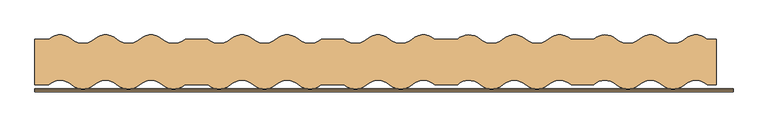
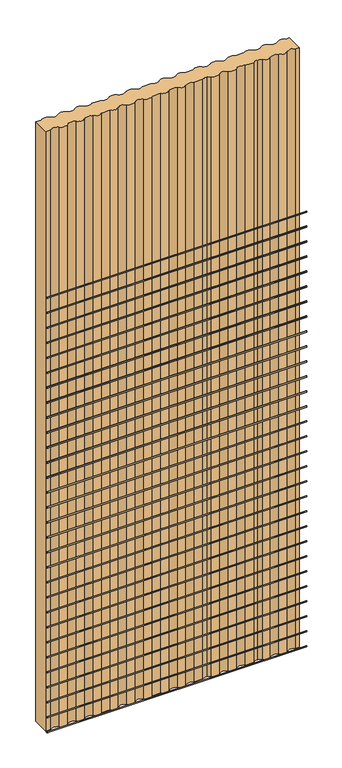
"""IFC4 building model written with IfcOpenShell, lengths in millimetres: door geometry."""

from ifc_helpers import new_model, si_unit, point, frame, frame_2d, origin, origin_with_axes, place, context, project, spatial, polyline, circle_curve, trimmed, segment, composite_curve, outline, extrude, source, transform, mapped, element, save


def door_5e5c42e4(model_context):
    return source(origin(), model_context, "Body", "SweptSolid", [
        extrude(outline(composite_curve([segment(trimmed(circle_curve(frame_2d((-49.9536574, 2175.0)), 2.4876096), [point((-49.9536574, 2172.5123904))], [point((-49.9536574, 2177.4876096))], False, "CARTESIAN"), True, "CONTINUOUS"), segment(trimmed(circle_curve(frame_2d((-49.9536574, 2175.0)), 2.4876096), [point((-49.9536574, 2177.4876096))], [point((-49.9536574, 2172.5123904))], False, "CARTESIAN"), True, "CONTINUOUS")], self_intersect=False)), frame((-600.0, 0.0, 0.0), z_axis=(1.0, 0.0, 0.0), x_axis=(0.0, 1.0, 0.0)), (0.0, 0.0, 1.0), 1230.0),
        extrude(outline(composite_curve([segment(trimmed(circle_curve(frame_2d((-49.9536574, 2100.0)), 2.4876096), [point((-49.9536574, 2097.5123904))], [point((-49.9536574, 2102.4876096))], False, "CARTESIAN"), True, "CONTINUOUS"), segment(trimmed(circle_curve(frame_2d((-49.9536574, 2100.0)), 2.4876096), [point((-49.9536574, 2102.4876096))], [point((-49.9536574, 2097.5123904))], False, "CARTESIAN"), True, "CONTINUOUS")], self_intersect=False)), frame((-600.0, 0.0, 0.0), z_axis=(1.0, 0.0, 0.0), x_axis=(0.0, 1.0, 0.0)), (0.0, 0.0, 1.0), 1230.0),
        extrude(outline(composite_curve([segment(trimmed(circle_curve(frame_2d((-49.9536574, 2025.0)), 2.4876096), [point((-49.9536574, 2022.5123904))], [point((-49.9536574, 2027.4876096))], False, "CARTESIAN"), True, "CONTINUOUS"), segment(trimmed(circle_curve(frame_2d((-49.9536574, 2025.0)), 2.4876096), [point((-49.9536574, 2027.4876096))], [point((-49.9536574, 2022.5123904))], False, "CARTESIAN"), True, "CONTINUOUS")], self_intersect=False)), frame((-600.0, 0.0, 0.0), z_axis=(1.0, 0.0, 0.0), x_axis=(0.0, 1.0, 0.0)), (0.0, 0.0, 1.0), 1230.0),
        extrude(outline(composite_curve([segment(trimmed(circle_curve(frame_2d((-49.9536574, 1950.0)), 2.4876096), [point((-49.9536574, 1947.5123904))], [point((-49.9536574, 1952.4876096))], False, "CARTESIAN"), True, "CONTINUOUS"), segment(trimmed(circle_curve(frame_2d((-49.9536574, 1950.0)), 2.4876096), [point((-49.9536574, 1952.4876096))], [point((-49.9536574, 1947.5123904))], False, "CARTESIAN"), True, "CONTINUOUS")], self_intersect=False)), frame((-600.0, 0.0, 0.0), z_axis=(1.0, 0.0, 0.0), x_axis=(0.0, 1.0, 0.0)), (0.0, 0.0, 1.0), 1230.0),
        extrude(outline(composite_curve([segment(trimmed(circle_curve(frame_2d((-49.9536574, 1875.0)), 2.4876096), [point((-49.9536574, 1872.5123904))], [point((-49.9536574, 1877.4876096))], False, "CARTESIAN"), True, "CONTINUOUS"), segment(trimmed(circle_curve(frame_2d((-49.9536574, 1875.0)), 2.4876096), [point((-49.9536574, 1877.4876096))], [point((-49.9536574, 1872.5123904))], False, "CARTESIAN"), True, "CONTINUOUS")], self_intersect=False)), frame((-600.0, 0.0, 0.0), z_axis=(1.0, 0.0, 0.0), x_axis=(0.0, 1.0, 0.0)), (0.0, 0.0, 1.0), 1230.0),
        extrude(outline(composite_curve([segment(trimmed(circle_curve(frame_2d((-49.9536574, 1800.0)), 2.4876096), [point((-49.9536574, 1797.5123904))], [point((-49.9536574, 1802.4876096))], False, "CARTESIAN"), True, "CONTINUOUS"), segment(trimmed(circle_curve(frame_2d((-49.9536574, 1800.0)), 2.4876096), [point((-49.9536574, 1802.4876096))], [point((-49.9536574, 1797.5123904))], False, "CARTESIAN"), True, "CONTINUOUS")], self_intersect=False)), frame((-600.0, 0.0, 0.0), z_axis=(1.0, 0.0, 0.0), x_axis=(0.0, 1.0, 0.0)), (0.0, 0.0, 1.0), 1230.0),
        extrude(outline(composite_curve([segment(trimmed(circle_curve(frame_2d((-49.9536574, 1725.0)), 2.4876096), [point((-49.9536574, 1722.5123904))], [point((-49.9536574, 1727.4876096))], False, "CARTESIAN"), True, "CONTINUOUS"), segment(trimmed(circle_curve(frame_2d((-49.9536574, 1725.0)), 2.4876096), [point((-49.9536574, 1727.4876096))], [point((-49.9536574, 1722.5123904))], False, "CARTESIAN"), True, "CONTINUOUS")], self_intersect=False)), frame((-600.0, 0.0, 0.0), z_axis=(1.0, 0.0, 0.0), x_axis=(0.0, 1.0, 0.0)), (0.0, 0.0, 1.0), 1230.0),
        extrude(outline(composite_curve([segment(trimmed(circle_curve(frame_2d((-49.9536574, 1650.0)), 2.4876096), [point((-49.9536574, 1647.5123904))], [point((-49.9536574, 1652.4876096))], False, "CARTESIAN"), True, "CONTINUOUS"), segment(trimmed(circle_curve(frame_2d((-49.9536574, 1650.0)), 2.4876096), [point((-49.9536574, 1652.4876096))], [point((-49.9536574, 1647.5123904))], False, "CARTESIAN"), True, "CONTINUOUS")], self_intersect=False)), frame((-600.0, 0.0, 0.0), z_axis=(1.0, 0.0, 0.0), x_axis=(0.0, 1.0, 0.0)), (0.0, 0.0, 1.0), 1230.0),
        extrude(outline(composite_curve([segment(trimmed(circle_curve(frame_2d((-49.9536574, 1575.0)), 2.4876096), [point((-49.9536574, 1572.5123904))], [point((-49.9536574, 1577.4876096))], False, "CARTESIAN"), True, "CONTINUOUS"), segment(trimmed(circle_curve(frame_2d((-49.9536574, 1575.0)), 2.4876096), [point((-49.9536574, 1577.4876096))], [point((-49.9536574, 1572.5123904))], False, "CARTESIAN"), True, "CONTINUOUS")], self_intersect=False)), frame((-600.0, 0.0, 0.0), z_axis=(1.0, 0.0, 0.0), x_axis=(0.0, 1.0, 0.0)), (0.0, 0.0, 1.0), 1230.0),
        extrude(outline(composite_curve([segment(trimmed(circle_curve(frame_2d((-49.9536574, 1500.0)), 2.4876096), [point((-49.9536574, 1497.5123904))], [point((-49.9536574, 1502.4876096))], False, "CARTESIAN"), True, "CONTINUOUS"), segment(trimmed(circle_curve(frame_2d((-49.9536574, 1500.0)), 2.4876096), [point((-49.9536574, 1502.4876096))], [point((-49.9536574, 1497.5123904))], False, "CARTESIAN"), True, "CONTINUOUS")], self_intersect=False)), frame((-600.0, 0.0, 0.0), z_axis=(1.0, 0.0, 0.0), x_axis=(0.0, 1.0, 0.0)), (0.0, 0.0, 1.0), 1230.0),
        extrude(outline(composite_curve([segment(trimmed(circle_curve(frame_2d((-49.9536574, 1425.0)), 2.4876096), [point((-49.9536574, 1422.5123904))], [point((-49.9536574, 1427.4876096))], False, "CARTESIAN"), True, "CONTINUOUS"), segment(trimmed(circle_curve(frame_2d((-49.9536574, 1425.0)), 2.4876096), [point((-49.9536574, 1427.4876096))], [point((-49.9536574, 1422.5123904))], False, "CARTESIAN"), True, "CONTINUOUS")], self_intersect=False)), frame((-600.0, 0.0, 0.0), z_axis=(1.0, 0.0, 0.0), x_axis=(0.0, 1.0, 0.0)), (0.0, 0.0, 1.0), 1230.0),
        extrude(outline(composite_curve([segment(trimmed(circle_curve(frame_2d((-49.9536574, 1350.0)), 2.4876096), [point((-49.9536574, 1347.5123904))], [point((-49.9536574, 1352.4876096))], False, "CARTESIAN"), True, "CONTINUOUS"), segment(trimmed(circle_curve(frame_2d((-49.9536574, 1350.0)), 2.4876096), [point((-49.9536574, 1352.4876096))], [point((-49.9536574, 1347.5123904))], False, "CARTESIAN"), True, "CONTINUOUS")], self_intersect=False)), frame((-600.0, 0.0, 0.0), z_axis=(1.0, 0.0, 0.0), x_axis=(0.0, 1.0, 0.0)), (0.0, 0.0, 1.0), 1230.0),
        extrude(outline(composite_curve([segment(trimmed(circle_curve(frame_2d((-49.9536574, 1275.0)), 2.4876096), [point((-49.9536574, 1272.5123904))], [point((-49.9536574, 1277.4876096))], False, "CARTESIAN"), True, "CONTINUOUS"), segment(trimmed(circle_curve(frame_2d((-49.9536574, 1275.0)), 2.4876096), [point((-49.9536574, 1277.4876096))], [point((-49.9536574, 1272.5123904))], False, "CARTESIAN"), True, "CONTINUOUS")], self_intersect=False)), frame((-600.0, 0.0, 0.0), z_axis=(1.0, 0.0, 0.0), x_axis=(0.0, 1.0, 0.0)), (0.0, 0.0, 1.0), 1230.0),
        extrude(outline(composite_curve([segment(trimmed(circle_curve(frame_2d((-49.9536574, 1200.0)), 2.4876096), [point((-49.9536574, 1197.5123904))], [point((-49.9536574, 1202.4876096))], False, "CARTESIAN"), True, "CONTINUOUS"), segment(trimmed(circle_curve(frame_2d((-49.9536574, 1200.0)), 2.4876096), [point((-49.9536574, 1202.4876096))], [point((-49.9536574, 1197.5123904))], False, "CARTESIAN"), True, "CONTINUOUS")], self_intersect=False)), frame((-600.0, 0.0, 0.0), z_axis=(1.0, 0.0, 0.0), x_axis=(0.0, 1.0, 0.0)), (0.0, 0.0, 1.0), 1230.0),
        extrude(outline(composite_curve([segment(trimmed(circle_curve(frame_2d((-49.9536574, 1125.0)), 2.4876096), [point((-49.9536574, 1122.5123904))], [point((-49.9536574, 1127.4876096))], False, "CARTESIAN"), True, "CONTINUOUS"), segment(trimmed(circle_curve(frame_2d((-49.9536574, 1125.0)), 2.4876096), [point((-49.9536574, 1127.4876096))], [point((-49.9536574, 1122.5123904))], False, "CARTESIAN"), True, "CONTINUOUS")], self_intersect=False)), frame((-600.0, 0.0, 0.0), z_axis=(1.0, 0.0, 0.0), x_axis=(0.0, 1.0, 0.0)), (0.0, 0.0, 1.0), 1230.0),
        extrude(outline(composite_curve([segment(trimmed(circle_curve(frame_2d((-49.9536574, 1050.0)), 2.4876096), [point((-49.9536574, 1047.5123904))], [point((-49.9536574, 1052.4876096))], False, "CARTESIAN"), True, "CONTINUOUS"), segment(trimmed(circle_curve(frame_2d((-49.9536574, 1050.0)), 2.4876096), [point((-49.9536574, 1052.4876096))], [point((-49.9536574, 1047.5123904))], False, "CARTESIAN"), True, "CONTINUOUS")], self_intersect=False)), frame((-600.0, 0.0, 0.0), z_axis=(1.0, 0.0, 0.0), x_axis=(0.0, 1.0, 0.0)), (0.0, 0.0, 1.0), 1230.0),
        extrude(outline(composite_curve([segment(trimmed(circle_curve(frame_2d((-49.9536574, 975.0)), 2.4876096), [point((-49.9536574, 972.5123904))], [point((-49.9536574, 977.4876096))], False, "CARTESIAN"), True, "CONTINUOUS"), segment(trimmed(circle_curve(frame_2d((-49.9536574, 975.0)), 2.4876096), [point((-49.9536574, 977.4876096))], [point((-49.9536574, 972.5123904))], False, "CARTESIAN"), True, "CONTINUOUS")], self_intersect=False)), frame((-600.0, 0.0, 0.0), z_axis=(1.0, 0.0, 0.0), x_axis=(0.0, 1.0, 0.0)), (0.0, 0.0, 1.0), 1230.0),
        extrude(outline(composite_curve([segment(trimmed(circle_curve(frame_2d((-49.9536574, 900.0)), 2.4876096), [point((-49.9536574, 897.5123904))], [point((-49.9536574, 902.4876096))], False, "CARTESIAN"), True, "CONTINUOUS"), segment(trimmed(circle_curve(frame_2d((-49.9536574, 900.0)), 2.4876096), [point((-49.9536574, 902.4876096))], [point((-49.9536574, 897.5123904))], False, "CARTESIAN"), True, "CONTINUOUS")], self_intersect=False)), frame((-600.0, 0.0, 0.0), z_axis=(1.0, 0.0, 0.0), x_axis=(0.0, 1.0, 0.0)), (0.0, 0.0, 1.0), 1230.0),
        extrude(outline(composite_curve([segment(trimmed(circle_curve(frame_2d((-49.9536574, 825.0)), 2.4876096), [point((-49.9536574, 822.5123904))], [point((-49.9536574, 827.4876096))], False, "CARTESIAN"), True, "CONTINUOUS"), segment(trimmed(circle_curve(frame_2d((-49.9536574, 825.0)), 2.4876096), [point((-49.9536574, 827.4876096))], [point((-49.9536574, 822.5123904))], False, "CARTESIAN"), True, "CONTINUOUS")], self_intersect=False)), frame((-600.0, 0.0, 0.0), z_axis=(1.0, 0.0, 0.0), x_axis=(0.0, 1.0, 0.0)), (0.0, 0.0, 1.0), 1230.0),
        extrude(outline(composite_curve([segment(trimmed(circle_curve(frame_2d((-49.9536574, 750.0)), 2.4876096), [point((-49.9536574, 747.5123904))], [point((-49.9536574, 752.4876096))], False, "CARTESIAN"), True, "CONTINUOUS"), segment(trimmed(circle_curve(frame_2d((-49.9536574, 750.0)), 2.4876096), [point((-49.9536574, 752.4876096))], [point((-49.9536574, 747.5123904))], False, "CARTESIAN"), True, "CONTINUOUS")], self_intersect=False)), frame((-600.0, 0.0, 0.0), z_axis=(1.0, 0.0, 0.0), x_axis=(0.0, 1.0, 0.0)), (0.0, 0.0, 1.0), 1230.0),
        extrude(outline(composite_curve([segment(trimmed(circle_curve(frame_2d((-49.9536574, 675.0)), 2.4876096), [point((-49.9536574, 672.5123904))], [point((-49.9536574, 677.4876096))], False, "CARTESIAN"), True, "CONTINUOUS"), segment(trimmed(circle_curve(frame_2d((-49.9536574, 675.0)), 2.4876096), [point((-49.9536574, 677.4876096))], [point((-49.9536574, 672.5123904))], False, "CARTESIAN"), True, "CONTINUOUS")], self_intersect=False)), frame((-600.0, 0.0, 0.0), z_axis=(1.0, 0.0, 0.0), x_axis=(0.0, 1.0, 0.0)), (0.0, 0.0, 1.0), 1230.0),
        extrude(outline(composite_curve([segment(trimmed(circle_curve(frame_2d((-49.9536574, 600.0)), 2.4876096), [point((-49.9536574, 597.5123904))], [point((-49.9536574, 602.4876096))], False, "CARTESIAN"), True, "CONTINUOUS"), segment(trimmed(circle_curve(frame_2d((-49.9536574, 600.0)), 2.4876096), [point((-49.9536574, 602.4876096))], [point((-49.9536574, 597.5123904))], False, "CARTESIAN"), True, "CONTINUOUS")], self_intersect=False)), frame((-600.0, 0.0, 0.0), z_axis=(1.0, 0.0, 0.0), x_axis=(0.0, 1.0, 0.0)), (0.0, 0.0, 1.0), 1230.0),
        extrude(outline(composite_curve([segment(trimmed(circle_curve(frame_2d((-49.9536574, 525.0)), 2.4876096), [point((-49.9536574, 522.5123904))], [point((-49.9536574, 527.4876096))], False, "CARTESIAN"), True, "CONTINUOUS"), segment(trimmed(circle_curve(frame_2d((-49.9536574, 525.0)), 2.4876096), [point((-49.9536574, 527.4876096))], [point((-49.9536574, 522.5123904))], False, "CARTESIAN"), True, "CONTINUOUS")], self_intersect=False)), frame((-600.0, 0.0, 0.0), z_axis=(1.0, 0.0, 0.0), x_axis=(0.0, 1.0, 0.0)), (0.0, 0.0, 1.0), 1230.0),
        extrude(outline(composite_curve([segment(trimmed(circle_curve(frame_2d((-49.9536574, 450.0)), 2.4876096), [point((-49.9536574, 447.5123904))], [point((-49.9536574, 452.4876096))], False, "CARTESIAN"), True, "CONTINUOUS"), segment(trimmed(circle_curve(frame_2d((-49.9536574, 450.0)), 2.4876096), [point((-49.9536574, 452.4876096))], [point((-49.9536574, 447.5123904))], False, "CARTESIAN"), True, "CONTINUOUS")], self_intersect=False)), frame((-600.0, 0.0, 0.0), z_axis=(1.0, 0.0, 0.0), x_axis=(0.0, 1.0, 0.0)), (0.0, 0.0, 1.0), 1230.0),
        extrude(outline(composite_curve([segment(trimmed(circle_curve(frame_2d((-49.9536574, 375.0)), 2.4876096), [point((-49.9536574, 372.5123904))], [point((-49.9536574, 377.4876096))], False, "CARTESIAN"), True, "CONTINUOUS"), segment(trimmed(circle_curve(frame_2d((-49.9536574, 375.0)), 2.4876096), [point((-49.9536574, 377.4876096))], [point((-49.9536574, 372.5123904))], False, "CARTESIAN"), True, "CONTINUOUS")], self_intersect=False)), frame((-600.0, 0.0, 0.0), z_axis=(1.0, 0.0, 0.0), x_axis=(0.0, 1.0, 0.0)), (0.0, 0.0, 1.0), 1230.0),
        extrude(outline(composite_curve([segment(trimmed(circle_curve(frame_2d((-49.9536574, 300.0)), 2.4876096), [point((-49.9536574, 297.5123904))], [point((-49.9536574, 302.4876096))], False, "CARTESIAN"), True, "CONTINUOUS"), segment(trimmed(circle_curve(frame_2d((-49.9536574, 300.0)), 2.4876096), [point((-49.9536574, 302.4876096))], [point((-49.9536574, 297.5123904))], False, "CARTESIAN"), True, "CONTINUOUS")], self_intersect=False)), frame((-600.0, 0.0, 0.0), z_axis=(1.0, 0.0, 0.0), x_axis=(0.0, 1.0, 0.0)), (0.0, 0.0, 1.0), 1230.0),
        extrude(outline(composite_curve([segment(trimmed(circle_curve(frame_2d((-49.9536574, 225.0)), 2.4876096), [point((-49.9536574, 222.5123904))], [point((-49.9536574, 227.4876096))], False, "CARTESIAN"), True, "CONTINUOUS"), segment(trimmed(circle_curve(frame_2d((-49.9536574, 225.0)), 2.4876096), [point((-49.9536574, 227.4876096))], [point((-49.9536574, 222.5123904))], False, "CARTESIAN"), True, "CONTINUOUS")], self_intersect=False)), frame((-600.0, 0.0, 0.0), z_axis=(1.0, 0.0, 0.0), x_axis=(0.0, 1.0, 0.0)), (0.0, 0.0, 1.0), 1230.0),
        extrude(outline(composite_curve([segment(trimmed(circle_curve(frame_2d((-49.9536574, 150.0)), 2.4876096), [point((-49.9536574, 147.5123904))], [point((-49.9536574, 152.4876096))], False, "CARTESIAN"), True, "CONTINUOUS"), segment(trimmed(circle_curve(frame_2d((-49.9536574, 150.0)), 2.4876096), [point((-49.9536574, 152.4876096))], [point((-49.9536574, 147.5123904))], False, "CARTESIAN"), True, "CONTINUOUS")], self_intersect=False)), frame((-600.0, 0.0, 0.0), z_axis=(1.0, 0.0, 0.0), x_axis=(0.0, 1.0, 0.0)), (0.0, 0.0, 1.0), 1230.0),
        extrude(outline(composite_curve([segment(trimmed(circle_curve(frame_2d((-49.9536574, 75.0)), 2.4876096), [point((-49.9536574, 72.5123904))], [point((-49.9536574, 77.4876096))], False, "CARTESIAN"), True, "CONTINUOUS"), segment(trimmed(circle_curve(frame_2d((-49.9536574, 75.0)), 2.4876096), [point((-49.9536574, 77.4876096))], [point((-49.9536574, 72.5123904))], False, "CARTESIAN"), True, "CONTINUOUS")], self_intersect=False)), frame((-600.0, 0.0, 0.0), z_axis=(1.0, 0.0, 0.0), x_axis=(0.0, 1.0, 0.0)), (0.0, 0.0, 1.0), 1230.0),
        extrude(outline(composite_curve([segment(trimmed(circle_curve(frame_2d((-49.9536574, 0.0)), 2.4876096), [point((-49.9536574, -2.4876096))], [point((-49.9536574, 2.4876096))], False, "CARTESIAN"), True, "CONTINUOUS"), segment(trimmed(circle_curve(frame_2d((-49.9536574, 0.0)), 2.4876096), [point((-49.9536574, 2.4876096))], [point((-49.9536574, -2.4876096))], False, "CARTESIAN"), True, "CONTINUOUS")], self_intersect=False)), frame((-600.0, 0.0, 0.0), z_axis=(1.0, 0.0, 0.0), x_axis=(0.0, 1.0, 0.0)), (0.0, 0.0, 1.0), 1230.0),
        extrude(outline(composite_curve([segment(trimmed(circle_curve(frame_2d((404.4999908, -62.8711063)), 30.3884562), [point((424.4907145, -39.9837903))], [point((409.0000004, -32.8176841))], True, "CARTESIAN"), True, "CONTINUOUS"), segment(trimmed(circle_curve(frame_2d((404.5, -62.8711077)), 30.3884562), [point((409.0000004, -32.8176841))], [point((384.5, -39.9918972))], True, "CARTESIAN"), True, "CONTINUOUS"), segment(polyline([(384.5, -39.9918972), (344.5, -39.9918972)]), True, "CONTINUOUS"), segment(trimmed(circle_curve(frame_2d((324.5, -62.8711077)), 30.3884562), [point((344.5, -39.9918972))], [point((304.5092771, -39.9837909))], True, "CARTESIAN"), True, "CONTINUOUS"), segment(trimmed(circle_curve(frame_2d((284.4999962, -17.0752273)), 30.4166667), [point((304.5092771, -39.9837909))], [point((264.4907172, -39.9837926))], False, "CARTESIAN"), True, "CONTINUOUS"), segment(trimmed(circle_curve(frame_2d((244.4999962, -62.871111)), 30.3884562), [point((264.4907172, -39.9837926))], [point((224.5092752, -39.9837926))], True, "CARTESIAN"), True, "CONTINUOUS"), segment(trimmed(circle_curve(frame_2d((204.4999962, -17.0752273)), 30.4166667), [point((224.5092752, -39.9837926))], [point((184.4907145, -39.9837903))], False, "CARTESIAN"), True, "CONTINUOUS"), segment(trimmed(circle_curve(frame_2d((164.4999908, -62.8711063)), 30.3884562), [point((184.4907145, -39.9837903))], [point((168.9999997, -32.817684))], True, "CARTESIAN"), True, "CONTINUOUS"), segment(trimmed(circle_curve(frame_2d((164.5, -62.8711077)), 30.3884562), [point((168.9999997, -32.817684))], [point((144.5, -39.9918972))], True, "CARTESIAN"), True, "CONTINUOUS"), segment(polyline([(144.5, -39.9918972), (104.5, -39.9918972)]), True, "CONTINUOUS"), segment(trimmed(circle_curve(frame_2d((84.5, -62.8711077)), 30.3884562), [point((104.5, -39.9918972))], [point((64.5092771, -39.9837909))], True, "CARTESIAN"), True, "CONTINUOUS"), segment(trimmed(circle_curve(frame_2d((44.4999962, -17.0752273)), 30.4166667), [point((64.5092771, -39.9837909))], [point((24.4907172, -39.9837926))], False, "CARTESIAN"), True, "CONTINUOUS"), segment(trimmed(circle_curve(frame_2d((4.4999962, -62.871111)), 30.3884562), [point((24.4907172, -39.9837926))], [point((-15.4907248, -39.9837926))], True, "CARTESIAN"), True, "CONTINUOUS"), segment(trimmed(circle_curve(frame_2d((-35.5000038, -17.0752273)), 30.4166667), [point((-15.4907248, -39.9837926))], [point((-55.5, -39.9918972))], False, "CARTESIAN"), True, "CONTINUOUS"), segment(polyline([(-55.5, -39.9918972), (-95.5, -39.9918972)]), True, "CONTINUOUS"), segment(trimmed(circle_curve(frame_2d((-115.5, -17.0752306)), 30.4166667), [point((-95.5, -39.9918972))], [point((-135.5092809, -39.9837943))], False, "CARTESIAN"), True, "CONTINUOUS"), segment(trimmed(circle_curve(frame_2d((-155.5000038, -62.871111)), 30.3884562), [point((-135.5092809, -39.9837943))], [point((-175.4907248, -39.9837926))], True, "CARTESIAN"), True, "CONTINUOUS"), segment(trimmed(circle_curve(frame_2d((-195.5000038, -17.0752273)), 30.4166667), [point((-175.4907248, -39.9837926))], [point((-215.5092828, -39.9837926))], False, "CARTESIAN"), True, "CONTINUOUS"), segment(trimmed(circle_curve(frame_2d((-235.5000038, -62.871111)), 30.3884562), [point((-215.5092828, -39.9837926))], [point((-255.4907248, -39.9837926))], True, "CARTESIAN"), True, "CONTINUOUS"), segment(trimmed(circle_curve(frame_2d((-275.5000038, -17.0752273)), 30.4166667), [point((-255.4907248, -39.9837926))], [point((-295.5, -39.9918972))], False, "CARTESIAN"), True, "CONTINUOUS"), segment(polyline([(-295.5, -39.9918972), (-335.5, -39.9918972)]), True, "CONTINUOUS"), segment(trimmed(circle_curve(frame_2d((-355.5, -17.0752306)), 30.4166667), [point((-335.5, -39.9918972))], [point((-375.5092809, -39.9837943))], False, "CARTESIAN"), True, "CONTINUOUS"), segment(trimmed(circle_curve(frame_2d((-395.5000038, -62.871111)), 30.3884562), [point((-375.5092809, -39.9837943))], [point((-415.4907248, -39.9837926))], True, "CARTESIAN"), True, "CONTINUOUS"), segment(trimmed(circle_curve(frame_2d((-435.5000038, -17.0752273)), 30.4166667), [point((-415.4907248, -39.9837926))], [point((-455.5092828, -39.9837926))], False, "CARTESIAN"), True, "CONTINUOUS"), segment(trimmed(circle_curve(frame_2d((-475.5000038, -62.871111)), 30.3884562), [point((-455.5092828, -39.9837926))], [point((-495.4907261, -39.9837937))], True, "CARTESIAN"), True, "CONTINUOUS"), segment(trimmed(circle_curve(frame_2d((-515.5, -17.0752368)), 30.416657), [point((-495.4907261, -39.9837937))], [point((-535.4999967, -39.9918935))], False, "CARTESIAN"), True, "CONTINUOUS"), segment(trimmed(circle_curve(frame_2d((-555.4907194, -62.8792104)), 30.3884562), [point((-535.4999967, -39.9918935))], [point((-575.4907194, -40.0))], True, "CARTESIAN"), True, "CONTINUOUS"), segment(polyline([(-575.4907194, -40.0), (-600.0, -40.0), (-600.0, 40.0), (-575.4907194, 40.0)]), True, "CONTINUOUS"), segment(trimmed(circle_curve(frame_2d((-555.4907232, 17.1207862)), 30.3884562), [point((-575.4907194, 40.0))], [point((-535.5, 40.0081028))], False, "CARTESIAN"), True, "CONTINUOUS"), segment(trimmed(circle_curve(frame_2d((-515.5, 62.9247694)), 30.4166667), [point((-535.5, 40.0081028))], [point((-495.4907191, 40.0162057))], True, "CARTESIAN"), True, "CONTINUOUS"), segment(trimmed(circle_curve(frame_2d((-475.4999962, 17.128889)), 30.3884562), [point((-495.4907191, 40.0162057))], [point((-455.5092752, 40.0162074))], False, "CARTESIAN"), True, "CONTINUOUS"), segment(trimmed(circle_curve(frame_2d((-435.4999962, 62.9247727)), 30.4166667), [point((-455.5092752, 40.0162074))], [point((-415.4907172, 40.0162074))], True, "CARTESIAN"), True, "CONTINUOUS"), segment(trimmed(circle_curve(frame_2d((-395.4999962, 17.128889)), 30.3884562), [point((-415.4907172, 40.0162074))], [point((-375.5092752, 40.0162074))], False, "CARTESIAN"), True, "CONTINUOUS"), segment(trimmed(circle_curve(frame_2d((-355.4999962, 62.9247727)), 30.4166667), [point((-375.5092752, 40.0162074))], [point((-335.5, 40.0081028))], True, "CARTESIAN"), True, "CONTINUOUS"), segment(polyline([(-335.5, 40.0081028), (-295.5, 40.0081028)]), True, "CONTINUOUS"), segment(trimmed(circle_curve(frame_2d((-275.5, 62.9247694)), 30.4166667), [point((-295.5, 40.0081028))], [point((-255.4907191, 40.0162057))], True, "CARTESIAN"), True, "CONTINUOUS"), segment(trimmed(circle_curve(frame_2d((-235.4999962, 17.128889)), 30.3884562), [point((-255.4907191, 40.0162057))], [point((-215.5092752, 40.0162074))], False, "CARTESIAN"), True, "CONTINUOUS"), segment(trimmed(circle_curve(frame_2d((-195.4999962, 62.9247727)), 30.4166667), [point((-215.5092752, 40.0162074))], [point((-175.4907172, 40.0162074))], True, "CARTESIAN"), True, "CONTINUOUS"), segment(trimmed(circle_curve(frame_2d((-155.4999962, 17.128889)), 30.3884562), [point((-175.4907172, 40.0162074))], [point((-135.5092752, 40.0162074))], False, "CARTESIAN"), True, "CONTINUOUS"), segment(trimmed(circle_curve(frame_2d((-115.4999962, 62.9247727)), 30.4166667), [point((-135.5092752, 40.0162074))], [point((-95.5, 40.0081028))], True, "CARTESIAN"), True, "CONTINUOUS"), segment(polyline([(-95.5, 40.0081028), (-55.5, 40.0081028)]), True, "CONTINUOUS"), segment(trimmed(circle_curve(frame_2d((-35.5, 62.9247694)), 30.4166667), [point((-55.5, 40.0081028))], [point((-15.4907191, 40.0162057))], True, "CARTESIAN"), True, "CONTINUOUS"), segment(trimmed(circle_curve(frame_2d((4.5000038, 17.128889)), 30.3884562), [point((-15.4907191, 40.0162057))], [point((24.4907248, 40.0162074))], False, "CARTESIAN"), True, "CONTINUOUS"), segment(trimmed(circle_curve(frame_2d((44.5000038, 62.9247727)), 30.4166667), [point((24.4907248, 40.0162074))], [point((64.5092828, 40.0162074))], True, "CARTESIAN"), True, "CONTINUOUS"), segment(trimmed(circle_curve(frame_2d((84.5000038, 17.128889)), 30.3884562), [point((64.5092828, 40.0162074))], [point((104.5, 40.0081028))], False, "CARTESIAN"), True, "CONTINUOUS"), segment(polyline([(104.5, 40.0081028), (144.5, 40.0081028)]), True, "CONTINUOUS"), segment(trimmed(circle_curve(frame_2d((164.5, 17.1288923)), 30.3884562), [point((144.5, 40.0081028))], [point((169.0, 47.1823159))], False, "CARTESIAN"), True, "CONTINUOUS"), segment(trimmed(circle_curve(frame_2d((164.5, 17.1288923)), 30.3884562), [point((169.0, 47.1823159))], [point((184.4907229, 40.0162091))], False, "CARTESIAN"), True, "CONTINUOUS"), segment(trimmed(circle_curve(frame_2d((204.5000038, 62.9247727)), 30.4166667), [point((184.4907229, 40.0162091))], [point((224.5092828, 40.0162074))], True, "CARTESIAN"), True, "CONTINUOUS"), segment(trimmed(circle_curve(frame_2d((244.5000038, 17.128889)), 30.3884562), [point((224.5092828, 40.0162074))], [point((264.4907248, 40.0162074))], False, "CARTESIAN"), True, "CONTINUOUS"), segment(trimmed(circle_curve(frame_2d((284.5000038, 62.9247727)), 30.4166667), [point((264.4907248, 40.0162074))], [point((304.5092828, 40.0162074))], True, "CARTESIAN"), True, "CONTINUOUS"), segment(trimmed(circle_curve(frame_2d((324.5000038, 17.128889)), 30.3884562), [point((304.5092828, 40.0162074))], [point((344.5, 40.0081028))], False, "CARTESIAN"), True, "CONTINUOUS"), segment(polyline([(344.5, 40.0081028), (384.5, 40.0081028)]), True, "CONTINUOUS"), segment(trimmed(circle_curve(frame_2d((404.5, 17.1288923)), 30.3884562), [point((384.5, 40.0081028))], [point((409.0, 47.1823159))], False, "CARTESIAN"), True, "CONTINUOUS"), segment(trimmed(circle_curve(frame_2d((404.5, 17.1288923)), 30.3884562), [point((409.0, 47.1823159))], [point((424.4907229, 40.0162091))], False, "CARTESIAN"), True, "CONTINUOUS"), segment(trimmed(circle_curve(frame_2d((444.5000038, 62.9247727)), 30.4166667), [point((424.4907229, 40.0162091))], [point((464.5092828, 40.0162074))], True, "CARTESIAN"), True, "CONTINUOUS"), segment(trimmed(circle_curve(frame_2d((484.5000038, 17.128889)), 30.3884562), [point((464.5092828, 40.0162074))], [point((504.4907248, 40.0162074))], False, "CARTESIAN"), True, "CONTINUOUS"), segment(trimmed(circle_curve(frame_2d((524.5000038, 62.9247727)), 30.4166667), [point((504.4907248, 40.0162074))], [point((544.5092828, 40.0162074))], True, "CARTESIAN"), True, "CONTINUOUS"), segment(trimmed(circle_curve(frame_2d((564.5000038, 17.128889)), 30.3884562), [point((544.5092828, 40.0162074))], [point((584.5, 40.0081028))], False, "CARTESIAN"), True, "CONTINUOUS"), segment(polyline([(584.5, 40.0081028), (600.0, 40.0081028), (600.0, -39.9918972), (584.5, -39.9918972)]), True, "CONTINUOUS"), segment(trimmed(circle_curve(frame_2d((564.5, -62.8711077)), 30.3884562), [point((584.5, -39.9918972))], [point((544.5092771, -39.9837909))], True, "CARTESIAN"), True, "CONTINUOUS"), segment(trimmed(circle_curve(frame_2d((524.4999962, -17.0752273)), 30.4166667), [point((544.5092771, -39.9837909))], [point((504.4907172, -39.9837926))], False, "CARTESIAN"), True, "CONTINUOUS"), segment(trimmed(circle_curve(frame_2d((484.4999962, -62.871111)), 30.3884562), [point((504.4907172, -39.9837926))], [point((464.5092752, -39.9837926))], True, "CARTESIAN"), True, "CONTINUOUS"), segment(trimmed(circle_curve(frame_2d((444.4999962, -17.0752273)), 30.4166667), [point((464.5092752, -39.9837926))], [point((424.4907145, -39.9837903))], False, "CARTESIAN"), True, "CONTINUOUS")], self_intersect=False)), origin_with_axes(), (0.0, 0.0, 1.0), 3000.0),
    ])


if __name__ == "__main__":
    model = new_model("IFC4")
    model_context = context("Model", 3, world=origin())
    ifc_project = project(units=[si_unit("LENGTHUNIT", "METRE", prefix="MILLI")], contexts=[model_context])
    site = spatial("IfcSite", under=ifc_project)
    building = spatial("IfcBuilding", under=site)
    placement = place(None, origin())
    door_shape = door_5e5c42e4(model_context)
    element("IfcDoor", 1, at=placement, inside=building, context=model_context, shape_type="MappedRepresentation", body=[
        mapped(door_shape, transform((0.0, 0.0, 0.0), x_axis=(1.0, 0.0, 0.0), y_axis=(0.0, 1.0, 0.0), z_axis=(0.0, 0.0, 1.0))),
    ])
    save(model, "model.ifc")
